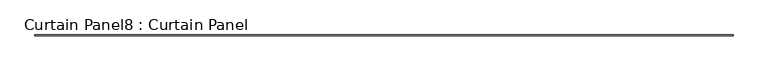
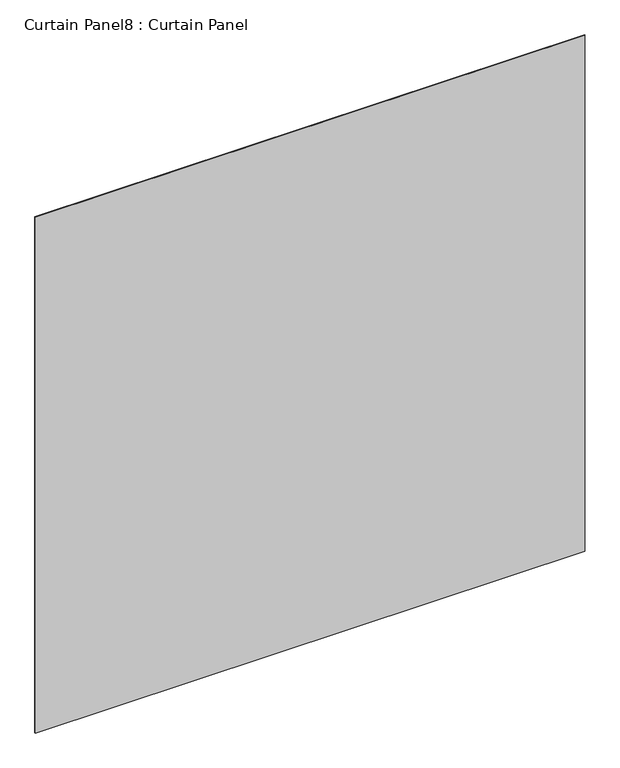
"""IFC4 building model written with IfcOpenShell, lengths in millimetres: plate geometry, Curtain Panel8 : Curtain Panel."""

from ifc_helpers import new_model, si_unit, frame, origin, place, context, project, spatial, polyline, outline, extrude, source, transform, mapped, element, save


def curtain_panel8_curtain_panel_53814f4b(model_context):
    return source(origin(), model_context, "Body", "SweptSolid", [
        extrude(outline(polyline([(191497.2166102, 2929.5784455), (185448.7795556, 2929.5784455), (185448.7795556, 2935.9284455), (191497.2166102, 2935.9284455), (191497.2166102, 2929.5784455)])), frame((0.0, 0.0, 7211.6803518), z_axis=(0.0, 0.0, 1.0), x_axis=(1.0, 0.0, 0.0)), (0.0, 0.0, 1.0), 6000.75),
    ])


if __name__ == "__main__":
    model = new_model("IFC4")
    model_context = context("Model", 3, world=origin())
    ifc_project = project(units=[si_unit("LENGTHUNIT", "METRE", prefix="MILLI")], contexts=[model_context])
    site = spatial("IfcSite", under=ifc_project)
    building = spatial("IfcBuilding", under=site)
    placement = place(None, origin())
    curtain_panel8_curtain_panel_shape = curtain_panel8_curtain_panel_53814f4b(model_context)
    element("IfcPlate", 1, ObjectType="Curtain Panel8 : Curtain Panel", at=placement, inside=building, context=model_context, shape_type="MappedRepresentation", body=[
        mapped(curtain_panel8_curtain_panel_shape, transform((0.0, 0.0, 0.0), x_axis=(1.0, 0.0, 0.0), y_axis=(0.0, 1.0, 0.0), z_axis=(0.0, 0.0, 1.0))),
    ])
    save(model, "model.ifc")
